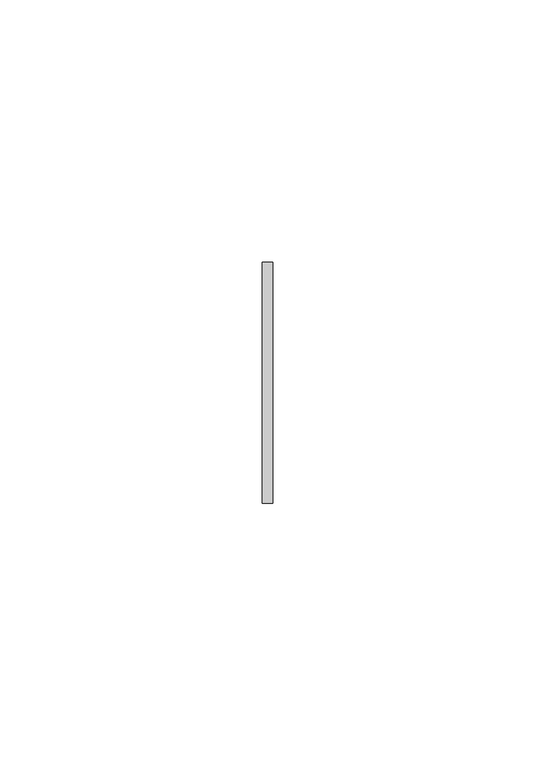
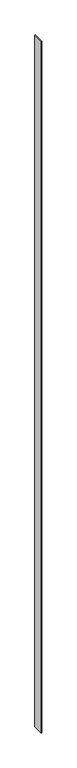
"""IFC4 building model written with IfcOpenShell, lengths in millimetres: member geometry."""

from ifc_helpers import new_model, si_unit, frame, origin, place, context, project, spatial, polyline, outline, extrude, source, transform, mapped, element, save


def member_28196938(model_context):
    return source(origin(), model_context, "Body", "SweptSolid", [
        extrude(outline(polyline([(1.0, 23.0), (1.0, -23.0), (-1.0, -23.0), (-1.0, 23.0), (1.0, 23.0)])), frame((0.0, 0.0, -3000.0), z_axis=(0.0, 0.0, 1.0), x_axis=(1.0, 0.0, 0.0)), (0.0, 0.0, 1.0), 3000.0),
    ])


if __name__ == "__main__":
    model = new_model("IFC4")
    model_context = context("Model", 3, world=origin())
    ifc_project = project(units=[si_unit("LENGTHUNIT", "METRE", prefix="MILLI")], contexts=[model_context])
    site = spatial("IfcSite", under=ifc_project)
    building = spatial("IfcBuilding", under=site)
    placement = place(None, origin())
    member_shape = member_28196938(model_context)
    element("IfcMember", 1, at=placement, inside=building, context=model_context, shape_type="MappedRepresentation", body=[
        mapped(member_shape, transform((0.0, 0.0, 0.0), x_axis=(1.0, 0.0, 0.0), y_axis=(0.0, 1.0, 0.0), z_axis=(0.0, 0.0, 1.0))),
    ])
    save(model, "model.ifc")
